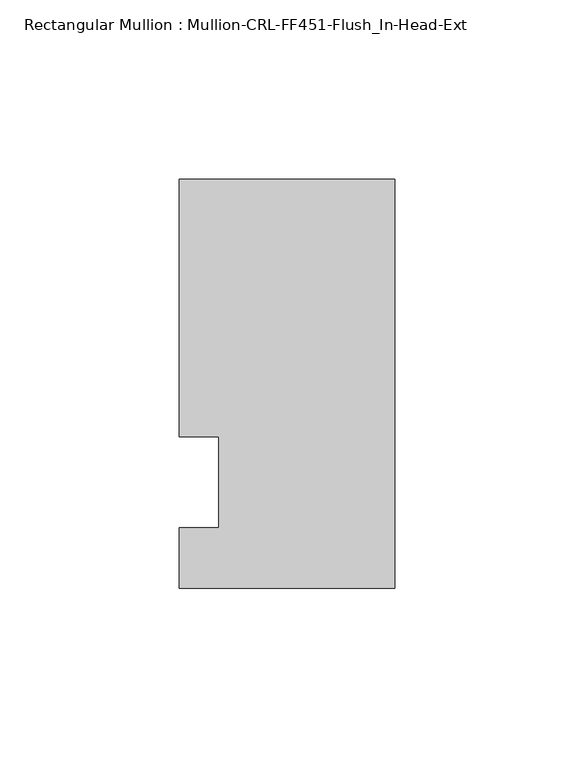
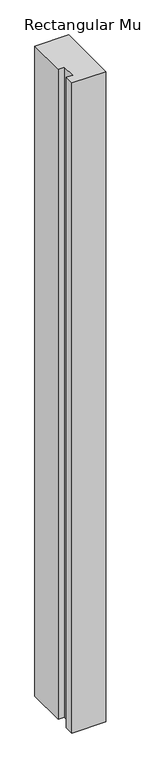
"""IFC4 building model written with IfcOpenShell, lengths in millimetres: member geometry, Rectangular Mullion : Mullion-CRL-FF451-Flush_In-Head-Ext."""

from ifc_helpers import new_model, si_unit, frame, origin, place, context, project, spatial, polyline, outline, extrude, source, transform, mapped, element, save


def rectangular_mullion_mullion_crl_ff451_flush_in_head_ext_c0fd4f4f(model_context):
    return source(origin(), model_context, "Body", "SweptSolid", [
        extrude(outline(polyline([(0.0, -29.6150427), (-60.325, -29.6150427), (-60.325, -12.7), (-49.2125, -12.7), (-49.2125, 12.7), (-60.325, 12.7), (-60.325, 84.6849573), (0.0, 84.6849573), (0.0, -29.6150427)])), frame((0.0, 0.0, -1227.6259421), z_axis=(0.0, 0.0, 1.0), x_axis=(1.0, 0.0, 0.0)), (0.0, 0.0, 1.0), 1227.6259421),
    ])


if __name__ == "__main__":
    model = new_model("IFC4")
    model_context = context("Model", 3, world=origin())
    ifc_project = project(units=[si_unit("LENGTHUNIT", "METRE", prefix="MILLI")], contexts=[model_context])
    site = spatial("IfcSite", under=ifc_project)
    building = spatial("IfcBuilding", under=site)
    placement = place(None, origin())
    rectangular_mullion_mullion_crl_ff451_flush_in_head_ext_shape = rectangular_mullion_mullion_crl_ff451_flush_in_head_ext_c0fd4f4f(model_context)
    element("IfcMember", 1, ObjectType="Rectangular Mullion : Mullion-CRL-FF451-Flush_In-Head-Ext", at=placement, inside=building, context=model_context, shape_type="MappedRepresentation", body=[
        mapped(rectangular_mullion_mullion_crl_ff451_flush_in_head_ext_shape, transform((0.0, 0.0, 0.0), x_axis=(1.0, 0.0, 0.0), y_axis=(0.0, 1.0, 0.0), z_axis=(0.0, 0.0, 1.0))),
    ])
    save(model, "model.ifc")
